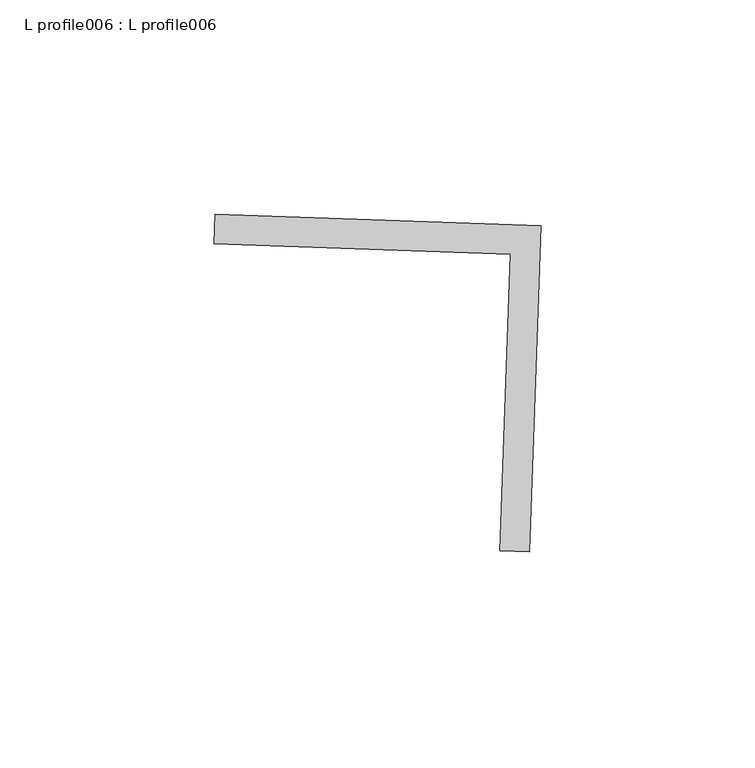
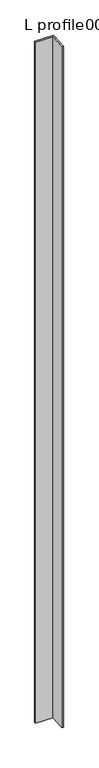
"""IFC4 building model written with IfcOpenShell, lengths in millimetres: proxy geometry, L profile006 : L profile006."""

from ifc_helpers import new_model, si_unit, frame, origin, place, context, project, spatial, polyline, outline, extrude, source, transform, mapped, element, save


def l_profile006_l_profile006_5f7d4a94(model_context):
    return source(origin(), model_context, "Body", "SweptSolid", [
        extrude(outline(polyline([(17441.9067066, -14584.2929448), (17439.2303808, -14660.4459308), (17432.2927694, -14660.2021149), (17434.7252792, -14590.9867404), (17365.5099047, -14588.5542305), (17365.7537206, -14581.616619), (17441.9067066, -14584.2929448)])), frame((0.0, 0.0, 73.975708), z_axis=(0.0, 0.0, 1.0), x_axis=(1.0, 0.0, 0.0)), (0.0, 0.0, 1.0), 2959.106901),
    ])


if __name__ == "__main__":
    model = new_model("IFC4")
    model_context = context("Model", 3, world=origin())
    ifc_project = project(units=[si_unit("LENGTHUNIT", "METRE", prefix="MILLI")], contexts=[model_context])
    site = spatial("IfcSite", under=ifc_project)
    building = spatial("IfcBuilding", under=site)
    placement = place(None, origin())
    l_profile006_l_profile006_shape = l_profile006_l_profile006_5f7d4a94(model_context)
    element("IfcBuildingElementProxy", 1, Name="L profile006 : L profile006", ObjectType="L profile006 : L profile006", at=placement, inside=building, context=model_context, shape_type="MappedRepresentation", body=[
        mapped(l_profile006_l_profile006_shape, transform((0.0, 0.0, 0.0), x_axis=(1.0, 0.0, 0.0), y_axis=(0.0, 1.0, 0.0), z_axis=(0.0, 0.0, 1.0))),
    ])
    save(model, "model.ifc")
